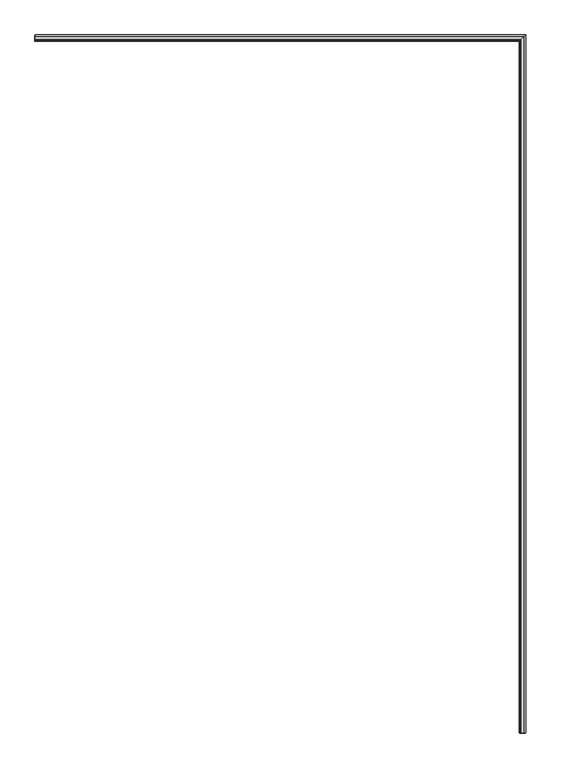
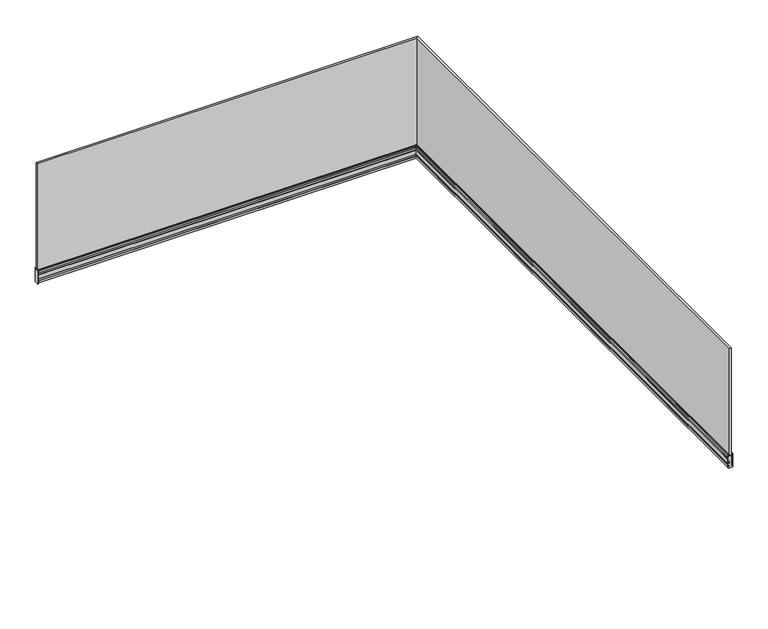
"""IFC4 building model written with IfcOpenShell, lengths in millimetres: railing geometry."""

from ifc_helpers import new_model, si_unit, frame, origin, place, context, project, spatial, polyline, circle_curve, ellipse_curve, outline, extrude, faceted_brep, source, transform, mapped, element, save
from ifc_brep_helpers import plane_surface, cylinder_surface, revolved_surface, advanced_brep


def railing_d0a557ec(model_context):
    return source(origin(), model_context, "Body", "SolidModel", [
        faceted_brep([(-5135.2924845, -67863.3362173, 993.0), (-5152.8124845, -67863.3362173, 993.0), (-5152.8124845, -67863.3362173, -157.0), (-5135.2924845, -67863.3362173, -157.0), (-5135.2924845, -62831.0762173, 993.0), (-5152.8124845, -62848.5962173, 993.0), (-5152.8124845, -62848.5962173, -157.0), (-5135.2924845, -62831.0762173, -157.0), (-8667.5524845, -62831.0762173, 993.0), (-8667.5524845, -62831.0762173, -157.0), (-8667.5524845, -62848.5962173, -157.0), (-8667.5524845, -62848.5962173, 993.0)], [[[0, 1, 2, 3]], [[1, 0, 4, 5]], [[2, 1, 5, 6]], [[3, 2, 6, 7]], [[0, 3, 7, 4]], [[8, 9, 10, 11]], [[5, 4, 8, 11]], [[6, 5, 11, 10]], [[7, 6, 10, 9]], [[4, 7, 9, 8]]]),
        faceted_brep([(-5156.5524845, -67863.3362173, -160.0), (-5156.5524845, -67863.3362173, -140.0), (-5160.5905785, -67863.3362173, -50.0), (-5166.4524845, -67863.3362173, -50.0), (-5167.5524845, -67863.3362173, -51.1), (-5167.5524845, -67863.3362173, -69.1), (-5165.0524845, -67863.3362173, -71.6), (-5165.0524845, -67863.3362173, -88.0), (-5167.5524845, -67863.3362173, -90.5), (-5167.5524845, -67863.3362173, -129.5), (-5165.0524845, -67863.3362173, -132.0), (-5165.0524845, -67863.3362173, -148.0), (-5167.5524845, -67863.3362173, -150.5), (-5167.5524845, -67863.3362173, -170.0), (-5122.5524844, -67863.3362173, -170.0), (-5122.5524844, -67863.3362173, -168.0), (-5126.8024844, -67863.3362173, -167.4027015), (-5126.8024844, -67863.3362173, -165.7499556), (-5123.0524844, -67863.3362173, -165.7499556), (-5123.0524844, -67863.3362173, -49.0), (-5124.0524844, -67863.3362173, -49.0), (-5125.0524844, -67863.3362173, -50.0), (-5128.7524845, -67863.3362173, -50.0), (-5128.7524845, -67863.3362173, -70.0), (-5127.7524845, -67863.3362173, -70.5773503), (-5131.5524845, -67863.3362173, -93.5), (-5131.5524845, -67863.3362173, -160.0), (-8667.5524845, -62852.3362173, -160.0), (-8667.5524845, -62827.3362173, -160.0), (-8667.5524845, -62827.3362173, -93.5), (-8667.5524845, -62823.5362173, -70.5773503), (-8667.5524845, -62824.5362173, -70.0), (-8667.5524845, -62824.5362173, -50.0), (-8667.5524845, -62820.8362172, -50.0), (-8667.5524845, -62819.8362172, -49.0), (-8667.5524845, -62818.8362172, -49.0), (-8667.5524845, -62818.8362172, -165.7499556), (-8667.5524845, -62822.5862172, -165.7499556), (-8667.5524845, -62822.5862172, -167.4027015), (-8667.5524845, -62818.3362172, -168.0), (-8667.5524845, -62818.3362172, -170.0), (-8667.5524845, -62863.3362173, -170.0), (-8667.5524845, -62863.3362173, -150.5), (-8667.5524845, -62860.8362173, -148.0), (-8667.5524845, -62860.8362173, -132.0), (-8667.5524845, -62863.3362173, -129.5), (-8667.5524845, -62863.3362173, -90.5), (-8667.5524845, -62860.8362173, -88.0), (-8667.5524845, -62860.8362173, -71.6), (-8667.5524845, -62863.3362173, -69.1), (-8667.5524845, -62863.3362173, -51.1), (-8667.5524845, -62862.2362173, -50.0), (-8667.5524845, -62856.3743114, -50.0), (-8667.5524845, -62852.3362173, -140.0), (-5156.5524845, -62852.3362173, -160.0), (-5156.5524845, -62852.3362173, -140.0), (-5160.5905785, -62856.3743114, -50.0), (-5166.4524845, -62862.2362173, -50.0), (-5167.5524845, -62863.3362173, -51.1), (-5167.5524845, -62863.3362173, -69.1), (-5165.0524845, -62860.8362173, -71.6), (-5165.0524845, -62860.8362173, -88.0), (-5167.5524845, -62863.3362173, -90.5), (-5167.5524845, -62863.3362173, -129.5), (-5165.0524845, -62860.8362173, -132.0), (-5165.0524845, -62860.8362173, -148.0), (-5167.5524845, -62863.3362173, -150.5), (-5167.5524845, -62863.3362173, -170.0), (-5122.5524844, -62818.3362172, -170.0), (-5122.5524844, -62818.3362172, -168.0), (-5126.8024844, -62822.5862172, -167.4027015), (-5126.8024844, -62822.5862172, -165.7499556), (-5123.0524844, -62818.8362172, -165.7499556), (-5123.0524844, -62818.8362172, -49.0), (-5124.0524844, -62819.8362172, -49.0), (-5125.0524844, -62820.8362172, -50.0), (-5128.7524845, -62824.5362173, -50.0), (-5128.7524845, -62824.5362173, -70.0), (-5127.7524845, -62823.5362173, -70.5773503), (-5131.5524845, -62827.3362173, -93.5), (-5131.5524845, -62827.3362173, -160.0)], [[[0, 1, 2, 3, 4, 5, 6, 7, 8, 9, 10, 11, 12, 13, 14, 15, 16, 17, 18, 19, 20, 21, 22, 23, 24, 25, 26]], [[27, 28, 29, 30, 31, 32, 33, 34, 35, 36, 37, 38, 39, 40, 41, 42, 43, 44, 45, 46, 47, 48, 49, 50, 51, 52, 53]], [[1, 0, 54, 55]], [[2, 1, 55, 56]], [[3, 2, 56, 57]], [[4, 3, 57, 58]], [[5, 4, 58, 59]], [[6, 5, 59, 60]], [[7, 6, 60, 61]], [[8, 7, 61, 62]], [[9, 8, 62, 63]], [[10, 9, 63, 64]], [[11, 10, 64, 65]], [[12, 11, 65, 66]], [[13, 12, 66, 67]], [[14, 13, 67, 68]], [[15, 14, 68, 69]], [[16, 15, 69, 70]], [[17, 16, 70, 71]], [[18, 17, 71, 72]], [[19, 18, 72, 73]], [[20, 19, 73, 74]], [[22, 21, 75, 76]], [[23, 22, 76, 77]], [[24, 23, 77, 78]], [[25, 24, 78, 79]], [[26, 25, 79, 80]], [[0, 26, 80, 54]], [[55, 54, 27, 53]], [[56, 55, 53, 52]], [[57, 56, 52, 51]], [[58, 57, 51, 50]], [[59, 58, 50, 49]], [[60, 59, 49, 48]], [[61, 60, 48, 47]], [[62, 61, 47, 46]], [[63, 62, 46, 45]], [[64, 63, 45, 44]], [[65, 64, 44, 43]], [[66, 65, 43, 42]], [[67, 66, 42, 41]], [[68, 67, 41, 40]], [[69, 68, 40, 39]], [[70, 69, 39, 38]], [[71, 70, 38, 37]], [[72, 71, 37, 36]], [[73, 72, 36, 35]], [[74, 73, 35, 34]], [[76, 75, 33, 32]], [[77, 76, 32, 31]], [[78, 77, 31, 30]], [[79, 78, 30, 29]], [[80, 79, 29, 28]], [[54, 80, 28, 27]], [[21, 20, 74, 75]], [[75, 74, 34, 33]]]),
        advanced_brep(
        [(-5132.7524845, -67863.3362173, -159.8), (-5131.7524845, -67863.3362173, -158.8), (-5131.7524845, -67863.3362173, -93.4835349), (-5127.9724455, -67863.3362173, -70.6812958), (-5128.9524845, -67863.3362173, -70.1154701), (-5128.9524845, -67863.3362173, -49.085069), (-5132.6283203, -67863.3362173, -46.9175211), (-5133.5024845, -67863.3362173, -47.2491854), (-5133.5024845, -67863.3362173, -158.0), (-5154.3654461, -67863.3362173, -158.0), (-5154.6509663, -67863.3362173, -159.8), (-8667.5524845, -62828.5362173, -159.8), (-8667.5524845, -62850.4346992, -159.8), (-8667.5524845, -62850.149179, -158.0), (-8667.5524845, -62829.2862173, -158.0), (-8667.5524845, -62829.2862173, -47.2491854), (-8667.5524845, -62828.4120532, -46.9175211), (-8667.5524845, -62824.7362173, -49.085069), (-8667.5524845, -62824.7362173, -70.1154701), (-8667.5524845, -62823.7561784, -70.6812958), (-8667.5524845, -62827.5362173, -93.4835349), (-8667.5524845, -62827.5362173, -158.8), (-5132.7524845, -62828.5362173, -159.8), (-5131.7524845, -62827.5362173, -158.8), (-5131.7524845, -62827.5362173, -93.4835349), (-5127.9724455, -62823.7561784, -70.6812958), (-5128.9524845, -62824.7362173, -70.1154701), (-5128.9524845, -62824.7362173, -49.085069), (-5132.6283203, -62828.4120532, -46.9175211), (-5133.5024845, -62829.2862173, -47.2491854), (-5133.5024845, -62829.2862173, -158.0), (-5154.3654461, -62850.149179, -158.0), (-5154.6509663, -62850.4346992, -159.8)],
        [
            (0, 1, circle_curve(frame((-5132.7524845, -67863.3362173, -158.8), z_axis=(0.0, -1.0, 0.0), x_axis=(1.0, 0.0, 0.0)), 1.0)),
            (1, 2),
            (2, 3),
            (3, 4),
            (4, 5),
            (5, 6, circle_curve(frame((-5127.4387724, -67863.3362173, -42.3174336), z_axis=(0.0, 1.0, 0.0), x_axis=(1.0, 0.0, 0.0)), 6.9348549)),
            (6, 7, circle_curve(frame((-5133.0024845, -67863.3362173, -47.2491854), z_axis=(0.0, -1.0, 0.0), x_axis=(1.0, 0.0, 0.0)), 0.5)),
            (7, 8),
            (8, 9),
            (9, 10, circle_curve(frame((-5153.9940214, -67863.3362173, -158.9815612), z_axis=(0.0, -1.0, 0.0), x_axis=(1.0, 0.0, 0.0)), 1.049485)),
            (10, 0),
            (11, 12),
            (12, 13, circle_curve(frame((-8667.5524845, -62849.7777543, -158.9815612), z_axis=(-1.0, 0.0, 0.0), x_axis=(0.0, 1.0, 0.0)), 1.049485)),
            (13, 14),
            (14, 15),
            (15, 16, circle_curve(frame((-8667.5524845, -62828.7862173, -47.2491854), z_axis=(-1.0, 0.0, 0.0), x_axis=(0.0, 1.0, 0.0)), 0.5)),
            (16, 17, circle_curve(frame((-8667.5524845, -62823.2225052, -42.3174336), z_axis=(1.0, 0.0, 0.0), x_axis=(0.0, 1.0, 0.0)), 6.9348549)),
            (17, 18),
            (18, 19),
            (19, 20),
            (20, 21),
            (21, 11, circle_curve(frame((-8667.5524845, -62828.5362173, -158.8), z_axis=(-1.0, 0.0, 0.0), x_axis=(0.0, 1.0, 0.0)), 1.0)),
            (0, 22),
            (22, 23, ellipse_curve(frame((-5132.7524845, -62828.5362173, -158.8), z_axis=(0.7071067811865475, -0.7071067811865475, 0.0), x_axis=(-0.7071067811865474, -0.7071067811865476, 0.0)), 1.4142136, 1.0)),
            (23, 1),
            (23, 24),
            (24, 2),
            (24, 25),
            (25, 3),
            (25, 26),
            (26, 4),
            (26, 27),
            (27, 5),
            (27, 28, ellipse_curve(frame((-5127.4387724, -62823.2225052, -42.3174336), z_axis=(-0.7071067811865475, 0.7071067811865475, 0.0), x_axis=(0.7071067811865474, 0.7071067811865476, 0.0)), 9.8073659, 6.9348549)),
            (28, 6),
            (28, 29, ellipse_curve(frame((-5133.0024845, -62828.7862173, -47.2491854), z_axis=(0.7071067811865475, -0.7071067811865475, 0.0), x_axis=(-0.7071067811865474, -0.7071067811865476, 0.0)), 0.7071068, 0.5)),
            (29, 7),
            (29, 30),
            (30, 8),
            (30, 31),
            (31, 9),
            (31, 32, ellipse_curve(frame((-5153.9940214, -62849.7777543, -158.9815612), z_axis=(0.7071067811865475, -0.7071067811865475, 0.0), x_axis=(-0.7071067811865474, -0.7071067811865476, 0.0)), 1.4841959, 1.049485)),
            (32, 10),
            (32, 22),
            (22, 11),
            (21, 23),
            (20, 24),
            (19, 25),
            (18, 26),
            (17, 27),
            (16, 28),
            (15, 29),
            (14, 30),
            (13, 31),
            (12, 32),
        ],
        [
            plane_surface(frame((-5144.0524845, -67863.3362173, -170.0), z_axis=(0.0, -1.0, 0.0), x_axis=(0.0, 0.0, 1.0))),
            plane_surface(frame((-8667.5524845, -62839.8362173, -170.0), z_axis=(-1.0, 0.0, 0.0), x_axis=(0.0, -1.0, 0.0))),
            cylinder_surface(frame((-5132.7524845, -67863.3362173, -158.8), z_axis=(0.0, -1.0, 0.0), x_axis=(1.0, 0.0, 0.0)), 1.0),
            plane_surface(frame((-5131.7524845, -67863.3362173, -158.8), z_axis=(1.0, 0.0, 0.0), x_axis=(0.0, 1.0, 0.0))),
            plane_surface(frame((-5131.7524845, -67863.3362173, -93.4835349), z_axis=(0.9865362159973996, 0.0, -0.16354294397965363), x_axis=(0.0, 1.0, 0.0))),
            plane_surface(frame((-5127.9724455, -67863.3362173, -70.6812958), z_axis=(0.4999999999996261, 0.0, 0.8660254037846546), x_axis=(0.0, 1.0, 0.0))),
            plane_surface(frame((-5128.9524845, -67863.3362173, -70.1154701), z_axis=(1.0, 0.0, 0.0), x_axis=(0.0, 1.0, 0.0))),
            revolved_surface(polyline([(-5120.5039175, -62816.28765026653, -42.3174336), (-5120.5039175, -67863.3362173, -42.3174336)]), (-5127.4387724, -67863.3362173, -42.3174336), (0.0, 1.0, 0.0)),
            cylinder_surface(frame((-5133.0024845, -67863.3362173, -47.2491854), z_axis=(0.0, -1.0, 0.0), x_axis=(1.0, 0.0, 0.0)), 0.5),
            plane_surface(frame((-5133.5024845, -67863.3362173, -47.2491854), z_axis=(-1.0, 0.0, 0.0), x_axis=(0.0, 1.0, 0.0))),
            plane_surface(frame((-5133.5024845, -67863.3362173, -158.0), z_axis=(0.0, 0.0, 1.0), x_axis=(0.0, 1.0, 0.0))),
            cylinder_surface(frame((-5153.9940214, -67863.3362173, -158.9815612), z_axis=(0.0, -1.0, 0.0), x_axis=(1.0, 0.0, 0.0)), 1.049485),
            plane_surface(frame((-5154.6509663, -67863.3362173, -159.8), z_axis=(0.0, 0.0, -1.0), x_axis=(0.0, 1.0, 0.0))),
            cylinder_surface(frame((-5144.0524845, -62828.5362173, -158.8), z_axis=(1.0, 0.0, 0.0), x_axis=(0.0, 1.0, 0.0)), 1.0),
            plane_surface(frame((-5131.7524845, -62827.5362173, -158.8), z_axis=(0.0, 1.0, 0.0), x_axis=(-1.0, 0.0, 0.0))),
            plane_surface(frame((-5131.7524845, -62827.5362173, -93.4835349), z_axis=(0.0, 0.9865362159973996, -0.16354294397965363), x_axis=(-1.0, 0.0, 0.0))),
            plane_surface(frame((-5127.9724455, -62823.7561784, -70.6812958), z_axis=(0.0, 0.4999999999996261, 0.8660254037846546), x_axis=(-1.0, 0.0, 0.0))),
            plane_surface(frame((-5128.9524845, -62824.7362173, -70.1154701), z_axis=(0.0, 1.0, 0.0), x_axis=(-1.0, 0.0, 0.0))),
            revolved_surface(polyline([(-8667.5524845, -62816.2876503, -42.3174336), (-5120.503917466533, -62816.2876503, -42.3174336)]), (-5144.0524845, -62823.2225052, -42.3174336), (-1.0, 0.0, 0.0)),
            cylinder_surface(frame((-5144.0524845, -62828.7862173, -47.2491854), z_axis=(1.0, 0.0, 0.0), x_axis=(0.0, 1.0, 0.0)), 0.5),
            plane_surface(frame((-5133.5024845, -62829.2862173, -47.2491854), z_axis=(0.0, -1.0, 0.0), x_axis=(-1.0, 0.0, 0.0))),
            plane_surface(frame((-5133.5024845, -62829.2862173, -158.0), z_axis=(0.0, 0.0, 1.0), x_axis=(-1.0, 0.0, 0.0))),
            cylinder_surface(frame((-5144.0524845, -62849.7777543, -158.9815612), z_axis=(1.0, 0.0, 0.0), x_axis=(0.0, 1.0, 0.0)), 1.049485),
            plane_surface(frame((-5154.6509663, -62850.4346992, -159.8), z_axis=(0.0, 0.0, -1.0), x_axis=(-1.0, 0.0, 0.0))),
        ],
        [
            (0, [[1, 2, 3, 4, 5, 6, 7, 8, 9, 10, 11]]),
            (1, [[12, 13, 14, 15, 16, 17, 18, 19, 20, 21, 22]]),
            (2, [[-1, 23, 24, 25]]),
            (3, [[-2, -25, 26, 27]]),
            (4, [[-3, -27, 28, 29]]),
            (5, [[-4, -29, 30, 31]]),
            (6, [[-5, -31, 32, 33]]),
            (7, [[-6, -33, 34, 35]]),
            (8, [[-7, -35, 36, 37]]),
            (9, [[-8, -37, 38, 39]]),
            (10, [[-9, -39, 40, 41]]),
            (11, [[-10, -41, 42, 43]]),
            (12, [[-11, -43, 44, -23]]),
            (13, [[-24, 45, -22, 46]]),
            (14, [[-26, -46, -21, 47]]),
            (15, [[-28, -47, -20, 48]]),
            (16, [[-30, -48, -19, 49]]),
            (17, [[-32, -49, -18, 50]]),
            (18, [[-34, -50, -17, 51]]),
            (19, [[-36, -51, -16, 52]]),
            (20, [[-38, -52, -15, 53]]),
            (21, [[-40, -53, -14, 54]]),
            (22, [[-42, -54, -13, 55]]),
            (23, [[-44, -55, -12, -45]]),
        ],
    ),
        faceted_brep([(-5156.6367966, -67863.3362173, -133.6588405), (-5154.6615116, -67863.3362173, -133.6588405), (-5154.6615116, -67863.3362173, -81.1555206), (-5158.9925004, -67863.3362173, -81.1555206), (-8667.5524845, -62852.4205294, -133.6588405), (-8667.5524845, -62854.7762332, -81.1555206), (-8667.5524845, -62850.4452444, -81.1555206), (-8667.5524845, -62850.4452444, -133.6588405), (-5156.6367966, -62852.4205294, -133.6588405), (-5154.6615116, -62850.4452444, -133.6588405), (-5154.6615116, -62850.4452444, -81.1555206), (-5158.9925004, -62854.7762332, -81.1555206)], [[[0, 1, 2, 3]], [[4, 5, 6, 7]], [[1, 0, 8, 9]], [[2, 1, 9, 10]], [[3, 2, 10, 11]], [[0, 3, 11, 8]], [[9, 8, 4, 7]], [[10, 9, 7, 6]], [[11, 10, 6, 5]], [[8, 11, 5, 4]]]),
        advanced_brep(
        [(-5160.0054952, -67863.3362173, -58.5781539), (-5158.6516946, -67863.3362173, -61.6445119), (-5155.5780692, -67863.3362173, -61.6445119), (-5154.6024845, -67863.3362173, -60.8641353), (-5154.6024845, -67863.3362173, -48.1232152), (-5155.197889, -67863.3362173, -47.6324016), (-5160.4507934, -67863.3362173, -48.6534628), (-8667.5524845, -62855.789228, -58.5781539), (-8667.5524845, -62856.2345262, -48.6534628), (-8667.5524845, -62850.9816218, -47.6324016), (-8667.5524845, -62850.3862173, -48.1232152), (-8667.5524845, -62850.3862173, -60.8641353), (-8667.5524845, -62851.361802, -61.6445119), (-8667.5524845, -62854.4354274, -61.6445119), (-5160.0054952, -62855.789228, -58.5781539), (-5158.6516946, -62854.4354274, -61.6445119), (-5155.5780692, -62851.361802, -61.6445119), (-5154.6024845, -62850.3862173, -60.8641353), (-5154.6024845, -62850.3862173, -48.1232152), (-5155.197889, -62850.9816218, -47.6324016), (-5160.4507934, -62856.2345262, -48.6534628)],
        [
            (0, 1, circle_curve(frame((-5144.4018545, -67863.3362173, -53.5211599), z_axis=(0.0, -1.0, 0.0), x_axis=(1.0, 0.0, 0.0)), 16.4026458)),
            (1, 2),
            (2, 3, circle_curve(frame((-5155.5780692, -67863.3362173, -60.6445119), z_axis=(0.0, -1.0, 0.0), x_axis=(1.0, 0.0, 0.0)), 1.0)),
            (3, 4),
            (4, 5, circle_curve(frame((-5155.1024845, -67863.3362173, -48.1232152), z_axis=(0.0, -1.0, 0.0), x_axis=(1.0, 0.0, 0.0)), 0.5)),
            (5, 6),
            (6, 0),
            (7, 8),
            (8, 9),
            (9, 10, circle_curve(frame((-8667.5524845, -62850.8862173, -48.1232152), z_axis=(-1.0, 0.0, 0.0), x_axis=(0.0, 1.0, 0.0)), 0.5)),
            (10, 11),
            (11, 12, circle_curve(frame((-8667.5524845, -62851.361802, -60.6445119), z_axis=(-1.0, 0.0, 0.0), x_axis=(0.0, 1.0, 0.0)), 1.0)),
            (12, 13),
            (13, 7, circle_curve(frame((-8667.5524845, -62840.1855874, -53.5211599), z_axis=(-1.0, 0.0, 0.0), x_axis=(0.0, 1.0, 0.0)), 16.4026458)),
            (0, 14),
            (14, 15, ellipse_curve(frame((-5144.4018545, -62840.1855874, -53.5211599), z_axis=(0.7071067811865475, -0.7071067811865475, 0.0), x_axis=(-0.7071067811865474, -0.7071067811865476, 0.0)), 23.1968442, 16.4026458)),
            (15, 1),
            (15, 16),
            (16, 2),
            (16, 17, ellipse_curve(frame((-5155.5780692, -62851.361802, -60.6445119), z_axis=(0.7071067811865475, -0.7071067811865475, 0.0), x_axis=(-0.7071067811865474, -0.7071067811865476, 0.0)), 1.4142136, 1.0)),
            (17, 3),
            (17, 18),
            (18, 4),
            (18, 19, ellipse_curve(frame((-5155.1024845, -62850.8862173, -48.1232152), z_axis=(0.7071067811865475, -0.7071067811865475, 0.0), x_axis=(-0.7071067811865474, -0.7071067811865476, 0.0)), 0.7071068, 0.5)),
            (19, 5),
            (19, 20),
            (20, 6),
            (20, 14),
            (14, 7),
            (13, 15),
            (12, 16),
            (11, 17),
            (10, 18),
            (9, 19),
            (8, 20),
        ],
        [
            plane_surface(frame((-5144.0524845, -67863.3362173, -170.0), z_axis=(0.0, -1.0, 0.0), x_axis=(0.0, 0.0, 1.0))),
            plane_surface(frame((-8667.5524845, -62839.8362173, -170.0), z_axis=(-1.0, 0.0, 0.0), x_axis=(0.0, -1.0, 0.0))),
            cylinder_surface(frame((-5144.4018545, -67863.3362173, -53.5211599), z_axis=(0.0, -1.0, 0.0), x_axis=(1.0, 0.0, 0.0)), 16.4026458),
            plane_surface(frame((-5158.6516946, -67863.3362173, -61.6445119), z_axis=(0.0, 0.0, -1.0), x_axis=(0.0, 1.0, 0.0))),
            cylinder_surface(frame((-5155.5780692, -67863.3362173, -60.6445119), z_axis=(0.0, -1.0, 0.0), x_axis=(1.0, 0.0, 0.0)), 1.0),
            plane_surface(frame((-5154.6024845, -67863.3362173, -60.8641353), z_axis=(1.0, 0.0, 0.0), x_axis=(0.0, 1.0, 0.0))),
            cylinder_surface(frame((-5155.1024845, -67863.3362173, -48.1232152), z_axis=(0.0, -1.0, 0.0), x_axis=(1.0, 0.0, 0.0)), 0.5),
            plane_surface(frame((-5155.197889, -67863.3362173, -47.6324016), z_axis=(-0.19080899537654455, 0.0, 0.9816271834476641), x_axis=(0.0, 1.0, 0.0))),
            plane_surface(frame((-5160.4507934, -67863.3362173, -48.6534628), z_axis=(-0.9989949613987466, 0.0, -0.04482261817338369), x_axis=(0.0, 1.0, 0.0))),
            cylinder_surface(frame((-5144.0524845, -62840.1855874, -53.5211599), z_axis=(1.0, 0.0, 0.0), x_axis=(0.0, 1.0, 0.0)), 16.4026458),
            plane_surface(frame((-5158.6516946, -62854.4354274, -61.6445119), z_axis=(0.0, 0.0, -1.0), x_axis=(-1.0, 0.0, 0.0))),
            cylinder_surface(frame((-5144.0524845, -62851.361802, -60.6445119), z_axis=(1.0, 0.0, 0.0), x_axis=(0.0, 1.0, 0.0)), 1.0),
            plane_surface(frame((-5154.6024845, -62850.3862173, -60.8641353), z_axis=(0.0, 1.0, 0.0), x_axis=(-1.0, 0.0, 0.0))),
            cylinder_surface(frame((-5144.0524845, -62850.8862173, -48.1232152), z_axis=(1.0, 0.0, 0.0), x_axis=(0.0, 1.0, 0.0)), 0.5),
            plane_surface(frame((-5155.197889, -62850.9816218, -47.6324016), z_axis=(0.0, -0.19080899537654455, 0.9816271834476641), x_axis=(-1.0, 0.0, 0.0))),
            plane_surface(frame((-5160.4507934, -62856.2345262, -48.6534628), z_axis=(0.0, -0.9989949613987466, -0.04482261817338369), x_axis=(-1.0, 0.0, 0.0))),
        ],
        [
            (0, [[1, 2, 3, 4, 5, 6, 7]]),
            (1, [[8, 9, 10, 11, 12, 13, 14]]),
            (2, [[-1, 15, 16, 17]]),
            (3, [[-2, -17, 18, 19]]),
            (4, [[-3, -19, 20, 21]]),
            (5, [[-4, -21, 22, 23]]),
            (6, [[-5, -23, 24, 25]]),
            (7, [[-6, -25, 26, 27]]),
            (8, [[-7, -27, 28, -15]]),
            (9, [[-16, 29, -14, 30]]),
            (10, [[-18, -30, -13, 31]]),
            (11, [[-20, -31, -12, 32]]),
            (12, [[-22, -32, -11, 33]]),
            (13, [[-24, -33, -10, 34]]),
            (14, [[-26, -34, -9, 35]]),
            (15, [[-28, -35, -8, -29]]),
        ],
    ),
        faceted_brep([(-5122.0524844, -67863.3362173, -167.8683049), (-5122.0524844, -67863.3362173, -176.5), (-5120.5524844, -67863.3362173, -176.5), (-5120.5524844, -67863.3362173, -46.5), (-5131.5524844, -67863.3362173, -46.5), (-5131.5524844, -67863.3362173, -48.0), (-5128.366698, -67863.3362173, -48.0), (-5126.566698, -67863.3362173, -49.8), (-5125.1353271, -67863.3362173, -49.8), (-5123.3353271, -67863.3362173, -48.0), (-5122.0524844, -67863.3362173, -48.0), (-5122.0524844, -67863.3362173, -165.9499556), (-5126.4223452, -67863.3362173, -165.9499556), (-5126.4223452, -67863.3362173, -167.254161), (-5122.0524844, -62817.8362172, -167.8683049), (-5122.0524844, -62817.8362172, -176.5), (-5120.5524844, -62816.3362172, -176.5), (-5120.5524844, -62816.3362172, -46.5), (-5131.5524844, -62827.3362172, -46.5), (-5131.5524844, -62827.3362172, -48.0), (-5128.366698, -62824.1504308, -48.0), (-5126.566698, -62822.3504308, -49.8), (-5125.1353271, -62820.9190599, -49.8), (-5123.3353271, -62819.1190599, -48.0), (-5122.0524844, -62817.8362172, -48.0), (-5122.0524844, -62817.8362172, -165.9499556), (-5126.4223452, -62822.206078, -165.9499556), (-5126.4223452, -62822.206078, -167.254161), (-8667.5524845, -62817.8362172, -167.8683049), (-8667.5524845, -62822.206078, -167.254161), (-8667.5524845, -62822.206078, -165.9499556), (-8667.5524845, -62817.8362172, -165.9499556), (-8667.5524845, -62817.8362172, -48.0), (-8667.5524845, -62819.1190599, -48.0), (-8667.5524845, -62820.9190599, -49.8), (-8667.5524845, -62822.3504308, -49.8), (-8667.5524845, -62824.1504308, -48.0), (-8667.5524845, -62827.3362172, -48.0), (-8667.5524845, -62827.3362172, -46.5), (-8667.5524845, -62816.3362172, -46.5), (-8667.5524845, -62816.3362172, -176.5), (-8667.5524845, -62817.8362172, -176.5)], [[[0, 1, 2, 3, 4, 5, 6, 7, 8, 9, 10, 11, 12, 13]], [[1, 0, 14, 15]], [[2, 1, 15, 16]], [[3, 2, 16, 17]], [[4, 3, 17, 18]], [[5, 4, 18, 19]], [[6, 5, 19, 20]], [[7, 6, 20, 21]], [[8, 7, 21, 22]], [[9, 8, 22, 23]], [[10, 9, 23, 24]], [[11, 10, 24, 25]], [[12, 11, 25, 26]], [[13, 12, 26, 27]], [[0, 13, 27, 14]], [[28, 29, 30, 31, 32, 33, 34, 35, 36, 37, 38, 39, 40, 41]], [[15, 14, 28, 41]], [[16, 15, 41, 40]], [[17, 16, 40, 39]], [[18, 17, 39, 38]], [[19, 18, 38, 37]], [[20, 19, 37, 36]], [[21, 20, 36, 35]], [[22, 21, 35, 34]], [[23, 22, 34, 33]], [[24, 23, 33, 32]], [[25, 24, 32, 31]], [[26, 25, 31, 30]], [[27, 26, 30, 29]], [[14, 27, 29, 28]]]),
        extrude(outline(polyline([(-8670.5524845, -62818.8362173), (-8667.5524845, -62818.8362173), (-8667.5524845, -62860.8362173), (-8670.5524845, -62860.8362173), (-8670.5524845, -62818.8362173)])), frame((0.0, 0.0, -177.0), z_axis=(0.0, 0.0, 1.0), x_axis=(1.0, 0.0, 0.0)), (0.0, 0.0, 1.0), 120.0),
        extrude(outline(polyline([(-5123.0524845, -67863.3362173), (-5123.0524845, -67866.3362173), (-5165.0524845, -67866.3362173), (-5165.0524845, -67863.3362173), (-5123.0524845, -67863.3362173)])), frame((0.0, 0.0, -177.0), z_axis=(0.0, 0.0, 1.0), x_axis=(1.0, 0.0, 0.0)), (0.0, 0.0, 1.0), 120.0),
    ])


if __name__ == "__main__":
    model = new_model("IFC4")
    model_context = context("Model", 3, world=origin())
    ifc_project = project(units=[si_unit("LENGTHUNIT", "METRE", prefix="MILLI")], contexts=[model_context])
    site = spatial("IfcSite", under=ifc_project)
    building = spatial("IfcBuilding", under=site)
    placement = place(None, origin())
    railing_shape = railing_d0a557ec(model_context)
    element("IfcRailing", 1, at=placement, inside=building, context=model_context, shape_type="MappedRepresentation", body=[
        mapped(railing_shape, transform((0.0, 0.0, 0.0), x_axis=(1.0, 0.0, 0.0), y_axis=(0.0, 1.0, 0.0), z_axis=(0.0, 0.0, 1.0))),
    ])
    save(model, "model.ifc")
